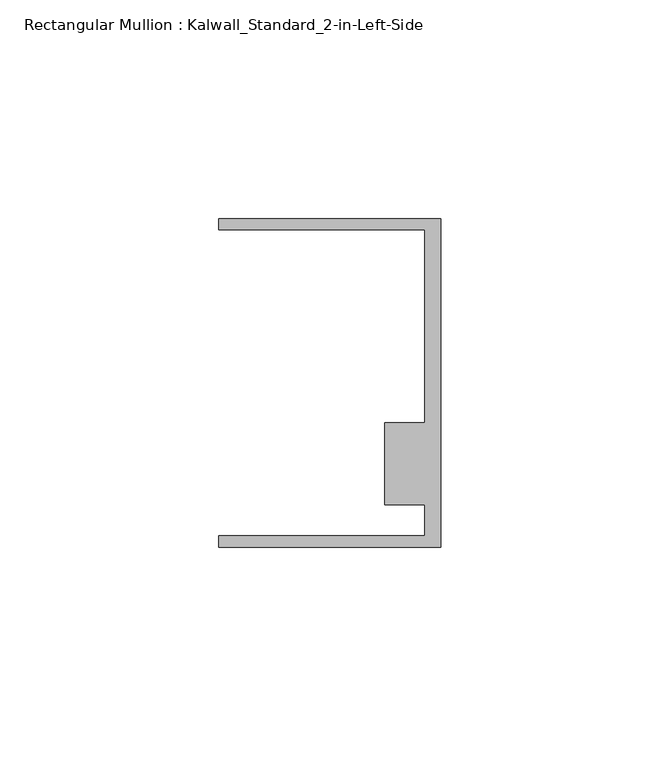
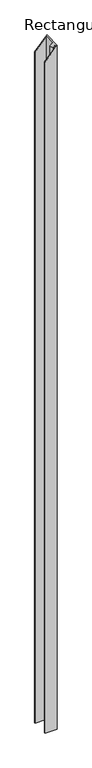
"""IFC4 building model written with IfcOpenShell, lengths in millimetres: member geometry, Rectangular Mullion : Kalwall_Standard_2-in-Left-Side."""

import ifcopenshell
import ifcopenshell.guid

model = None  # the IFC model being written
_history = None  # IfcOwnerHistory: only IFC2X3 demands one
_inside = {}  # id of a spatial element -> (the spatial element, [elements in it])
_under = {}  # id of a project, library or spatial element -> (it, [spatial elements below it])
_declared = {}  # id of a project -> (the project, [libraries it declares])
_typed = {}  # id of a type object -> (the type object, [elements of that type])
_made_of = {}  # id of a material, layer set ... -> (it, [elements and type objects made of it])


def new_model(schema):
    """Start an empty IFC model of exactly this schema.

    Asked for "IFC4X3", IfcOpenShell would pick the latest addendum, in which some entities
    have other attributes; the version numbers below select the first issue.
    IFC2X3 requires an IfcOwnerHistory on every rooted entity: one is made here for all.
    """
    global model, _history
    if schema == "IFC4X3":
        model = ifcopenshell.file(schema_version=(4, 3, 0, 0))
    else:
        model = ifcopenshell.file(schema=schema)
    _inside.clear()
    _under.clear()
    _declared.clear()
    _typed.clear()
    _made_of.clear()
    _history = None
    if model.schema == "IFC2X3":
        org = make("IfcOrganization", Name="unknown")
        user = make(
            "IfcPersonAndOrganization",
            ThePerson=make("IfcPerson", FamilyName="unknown"),
            TheOrganization=org,
        )
        app = make(
            "IfcApplication",
            ApplicationDeveloper=org,
            Version="unknown",
            ApplicationFullName="unknown",
            ApplicationIdentifier="unknown",
        )
        _history = make(
            "IfcOwnerHistory",
            OwningUser=user,
            OwningApplication=app,
            ChangeAction="ADDED",
            CreationDate=0,
        )
    return model


def make(cls, **values):
    """One entity of the class cls with the attributes given. An attribute that is None is left unset."""
    return model.create_entity(
        cls, **{name: value for name, value in values.items() if value is not None}
    )


def rooted(cls, **values):
    """An entity with a GlobalId (a new one), such as an element, a storey or a relation."""
    return make(cls, GlobalId=ifcopenshell.guid.new(), OwnerHistory=_history, **values)


def si_unit(unit_type, name, prefix=None):
    """IfcSIUnit, for example si_unit("LENGTHUNIT", "METRE", prefix="MILLI")."""
    return make("IfcSIUnit", UnitType=unit_type, Prefix=prefix, Name=name)


def assignment(units):
    """IfcUnitAssignment: the units of a project."""
    return None if units is None else make("IfcUnitAssignment", Units=units)


def point(xyz):
    """IfcCartesianPoint."""
    return None if xyz is None else make("IfcCartesianPoint", Coordinates=xyz)


def direction(xyz):
    """IfcDirection."""
    return None if xyz is None else make("IfcDirection", DirectionRatios=xyz)


def frame(location, z_axis=None, x_axis=None):
    """IfcAxis2Placement3D, a coordinate frame: its origin and axes. An axis left out is left unset."""
    return make(
        "IfcAxis2Placement3D",
        Location=point(location),
        Axis=direction(z_axis),
        RefDirection=direction(x_axis),
    )


def origin():
    """The frame at (0, 0, 0) with its axes left unset."""
    return frame((0.0, 0.0, 0.0))


def place(relative_to, where):
    """IfcLocalPlacement: puts the frame where relative to a parent placement (None: the world)."""
    return make(
        "IfcLocalPlacement", PlacementRelTo=relative_to, RelativePlacement=where
    )


def context(
    kind, dimensions, precision=None, world=None, true_north=None, identifier=None
):
    """IfcGeometricRepresentationContext, for example the 3D "Model" context."""
    return make(
        "IfcGeometricRepresentationContext",
        ContextIdentifier=identifier,
        ContextType=kind,
        CoordinateSpaceDimension=dimensions,
        Precision=precision,
        WorldCoordinateSystem=world,
        TrueNorth=true_north,
    )


def project(units=None, contexts=None):
    """IfcProject with its units and contexts."""
    return rooted(
        "IfcProject",
        Name="project",
        RepresentationContexts=contexts,
        UnitsInContext=assignment(units),
    )


def spatial(cls, under=None, at=None, **own):
    """A site, building, storey or space (cls), placed at a placement, below another one or the project."""
    s = rooted(cls, ObjectPlacement=at, **own)
    if under is not None:
        _under.setdefault(under.id(), (under, []))[1].append(s)
    return s


def faces_of(points, faces, orient=None, outer=None):
    """IfcFace entities. A face is a list of loops; a loop is a list of indices into points, from 0.

    orient and outer hold one flag for each loop. By default every Orientation is true, the
    first loop of a face is its IfcFaceOuterBound and the others are IfcFaceBound.
    """
    made = []
    for i, loops in enumerate(faces):
        bounds = []
        for j, loop in enumerate(loops):
            is_outer = j == 0 if outer is None else outer[i][j]
            bounds.append(
                make(
                    "IfcFaceOuterBound" if is_outer else "IfcFaceBound",
                    Bound=make("IfcPolyLoop", Polygon=[points[k] for k in loop]),
                    Orientation=True if orient is None else orient[i][j],
                )
            )
        made.append(make("IfcFace", Bounds=bounds))
    return made


def faceted_brep(points, faces, orient=None, outer=None, voids=None):
    """IfcFacetedBrep: a solid bounded by flat faces; with voids (closed shells), ...WithVoids."""
    shared = [point(p) for p in points]
    hull = make("IfcClosedShell", CfsFaces=faces_of(shared, faces, orient, outer))
    if voids is None:
        return make("IfcFacetedBrep", Outer=hull)
    return make(
        "IfcFacetedBrepWithVoids",
        Outer=hull,
        Voids=[
            make(cls, CfsFaces=faces_of(shared, fs, o, b)) for cls, fs, o, b in voids
        ],
    )


def shape(context_of_items, identifier, shape_type, items):
    """IfcShapeRepresentation: the items that make up one representation, for example the "Body"."""
    return make(
        "IfcShapeRepresentation",
        ContextOfItems=context_of_items,
        RepresentationIdentifier=identifier,
        RepresentationType=shape_type,
        Items=items,
    )


def source(mapping_origin, context_of_items, identifier, shape_type, items):
    """IfcRepresentationMap: a shape defined once, which mapped items show again and again."""
    return make(
        "IfcRepresentationMap",
        MappingOrigin=mapping_origin,
        MappedRepresentation=shape(context_of_items, identifier, shape_type, items),
    )


def transform(
    local_origin,
    x_axis=None,
    y_axis=None,
    z_axis=None,
    scale=None,
    scale2=None,
    scale3=None,
    uniform=True,
):
    """IfcCartesianTransformationOperator3D, or its non-uniform kind. x_axis, y_axis, z_axis: its Axis1, 2, 3."""
    if uniform:
        return make(
            "IfcCartesianTransformationOperator3D",
            Axis1=direction(x_axis),
            Axis2=direction(y_axis),
            LocalOrigin=point(local_origin),
            Scale=scale,
            Axis3=direction(z_axis),
        )
    return make(
        "IfcCartesianTransformationOperator3DnonUniform",
        Axis1=direction(x_axis),
        Axis2=direction(y_axis),
        LocalOrigin=point(local_origin),
        Scale=scale,
        Axis3=direction(z_axis),
        Scale2=scale2,
        Scale3=scale3,
    )


def mapped(mapping_source, mapping_target):
    """IfcMappedItem: shows the shape of a source again, moved by a transform."""
    return make(
        "IfcMappedItem", MappingSource=mapping_source, MappingTarget=mapping_target
    )


def made_of(thing, what):
    """Note that an element or type object is made of a material, layer set ...; save() writes the relation."""
    if what is not None:
        _made_of.setdefault(what.id(), (what, []))[1].append(thing)
    return thing


def element(
    cls,
    number,
    at=None,
    inside=None,
    cuts=None,
    type_object=None,
    material=None,
    context=None,
    identifier="Body",
    shape_type=None,
    held_by="IfcProductDefinitionShape",
    body=None,
    shapes=None,
    **own,
):
    """One element of the class cls, such as IfcWall. Its Tag is "e" and its number.

    at: its placement. inside: the storey or other place that contains it. cuts: it is an
    opening in that element (IfcRelVoidsElement). A single representation is given by context,
    identifier, shape_type and body (its items); several are given by shapes. held_by: the class
    of the entity that holds the representations. save() writes the other relations.
    """
    e = rooted(cls, Tag="e%d" % number, ObjectPlacement=at, **own)
    if body is not None:
        shapes = [shape(context, identifier, shape_type, body)]
    if shapes is not None:
        e.Representation = make(held_by, Representations=shapes)
    if inside is not None:
        _inside.setdefault(inside.id(), (inside, []))[1].append(e)
    if cuts is not None:
        rooted(
            "IfcRelVoidsElement", RelatingBuildingElement=cuts, RelatedOpeningElement=e
        )
    if type_object is not None:
        _typed.setdefault(type_object.id(), (type_object, []))[1].append(e)
    return made_of(e, material)


def aggregate(whole, parts):
    """IfcRelAggregates: a whole, such as a stair, and the parts it consists of."""
    return rooted("IfcRelAggregates", RelatingObject=whole, RelatedObjects=parts)


def save(model, path):
    """Write the relations noted so far, then the file.

    IfcRelAggregates (storeys below a building ...), IfcRelContainedInSpatialStructure (elements
    in a storey), IfcRelDefinesByType, IfcRelAssociatesMaterial and IfcRelDeclares: one each for
    every whole, place, type object, material and project.
    """
    for whole, parts in _under.values():
        aggregate(whole, parts)
    for where, things in _inside.values():
        rooted(
            "IfcRelContainedInSpatialStructure",
            RelatedElements=things,
            RelatingStructure=where,
        )
    for kind, things in _typed.values():
        rooted("IfcRelDefinesByType", RelatedObjects=things, RelatingType=kind)
    for what, things in _made_of.values():
        rooted("IfcRelAssociatesMaterial", RelatedObjects=things, RelatingMaterial=what)
    for by, libraries in _declared.values():
        rooted("IfcRelDeclares", RelatingContext=by, RelatedDefinitions=libraries)
    model.write(path)


def rectangular_mullion_kalwall_standard_2_in_left_side_9550a485(model_context):
    return source(origin(), model_context, "Body", "Brep", [
        faceted_brep([(0.0, -37.5776386, -3013.075), (-50.8, -37.5776386, -3013.075), (-50.8, -35.0376386, -3013.075), (-3.7084, -35.0376386, -3013.075), (-3.7084, -27.8888568, -3013.075), (-12.8272539, -27.8888568, -3013.075), (-12.8272539, -9.1879886, -3013.075), (-3.7084, -9.1879886, -3013.075), (-3.7084, 34.9623614, -3013.075), (-50.8, 34.9623614, -3013.075), (-50.8, 37.5023614, -3013.075), (0.0, 37.5023614, -3013.075), (0.0, 37.5023614, 0.0), (0.0, -37.5776386, 0.0), (-50.8, 37.5023614, -56.9541132), (-50.8, 34.9623614, -56.9541132), (-3.7084, 34.9623614, -4.1576503), (-3.7084, -9.1879886, -4.1576503), (-12.8272539, -9.1879886, -14.3811983), (-12.8272539, -27.8888568, -14.3811983), (-3.7084, -27.8888568, -4.1576503), (-3.7084, -35.0376386, -4.1576503), (-50.8, -35.0376386, -56.9541132), (-50.8, -37.5776386, -56.9541132)], [[[0, 1, 2, 3, 4, 5, 6, 7, 8, 9, 10, 11]], [[12, 13, 0, 11]], [[14, 12, 11, 10]], [[15, 14, 10, 9]], [[16, 15, 9, 8]], [[17, 16, 8, 7]], [[18, 17, 7, 6]], [[19, 18, 6, 5]], [[20, 19, 5, 4]], [[21, 20, 4, 3]], [[22, 21, 3, 2]], [[23, 22, 2, 1]], [[13, 23, 1, 0]], [[13, 12, 14, 15, 16, 17, 18, 19, 20, 21, 22, 23]]]),
    ])


if __name__ == "__main__":
    model = new_model("IFC4")
    model_context = context("Model", 3, world=origin())
    ifc_project = project(units=[si_unit("LENGTHUNIT", "METRE", prefix="MILLI")], contexts=[model_context])
    site = spatial("IfcSite", under=ifc_project)
    building = spatial("IfcBuilding", under=site)
    placement = place(None, origin())
    rectangular_mullion_kalwall_standard_2_in_left_side_shape = rectangular_mullion_kalwall_standard_2_in_left_side_9550a485(model_context)
    element("IfcMember", 1, ObjectType="Rectangular Mullion : Kalwall_Standard_2-in-Left-Side", at=placement, inside=building, context=model_context, shape_type="MappedRepresentation", body=[
        mapped(rectangular_mullion_kalwall_standard_2_in_left_side_shape, transform((0.0, 0.0, 0.0), x_axis=(1.0, 0.0, 0.0), y_axis=(0.0, 1.0, 0.0), z_axis=(0.0, 0.0, 1.0))),
    ])
    save(model, "model.ifc")
